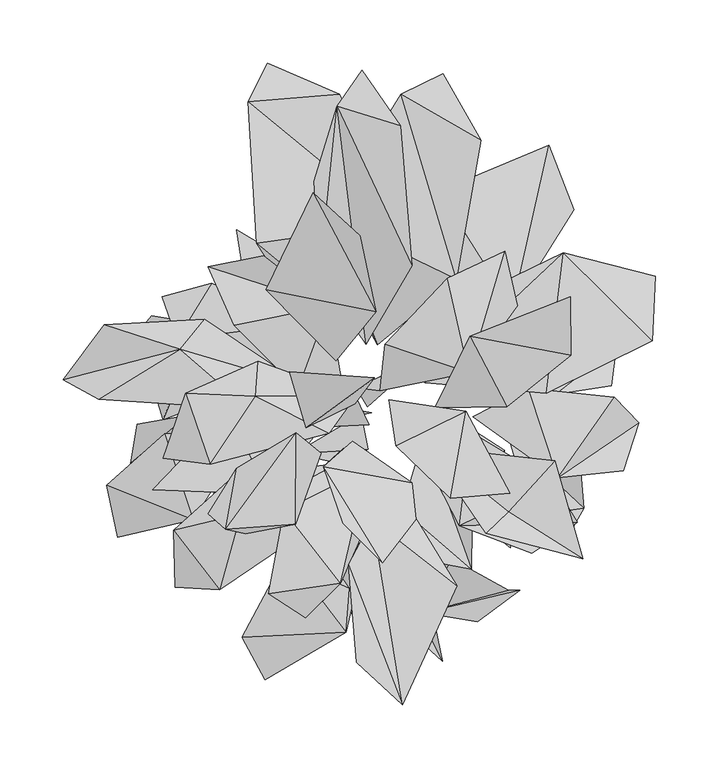
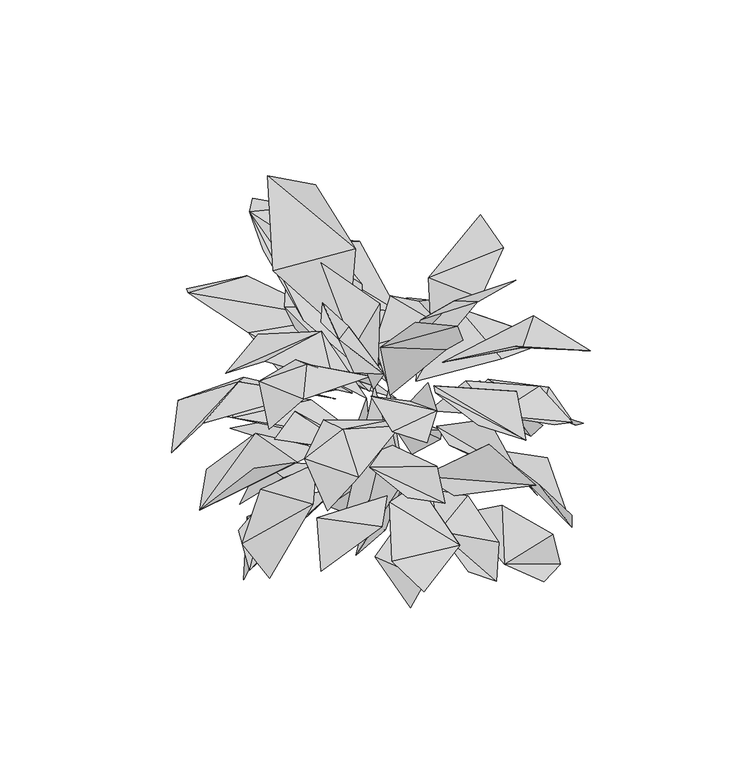
"""IFC4 building model written with IfcOpenShell, lengths in millimetres: furniture geometry."""

from ifc_helpers import new_model, si_unit, origin, place, context, project, spatial, triangles, source, transform, mapped, element, save


def furniture_70dda012(model_context):
    return source(origin(), model_context, "Body", "Tessellation", [
        triangles([(165.0206504, -120.8550323, -18.0846156), (178.2999089, -98.0769532, -51.3634664), (137.2756688, -103.9794272, 18.7039081), (118.6818001, -42.4851793, 32.035322), (174.4757964, -55.4157627, 10.5916262), (-51.0061663, -54.7811221, -32.099694), (7.2854014, -51.4069957, 36.5647081), (1.8450693, -23.3868515, -37.8037086), (-15.616827, -62.4003245, 127.9688514), (-159.0719765, -13.5595205, -49.922675), (-154.7240224, -27.8405404, -15.6469646), (-131.7633054, 27.3877383, -5.9678554), (-96.0106095, -4.9346092, 25.2221523), (-57.4915989, -35.0090254, -18.2944241), (8.0254674, -32.0582244, 42.3425145), (-0.2667084, -25.4430168, -36.487251), (-2.6596859, -9.252399, 133.6806393), (-51.8344996, -10.849834, -33.7046378), (10.2225399, -22.2312511, 45.5099038), (0.5072802, -24.1888919, -37.4727241), (0.9690449, -19.1094281, -36.474377), (-36.9233049, 25.7143984, -25.0775527), (-14.479175, -27.8551584, 37.0105498), (6.8945436, -17.700121, -36.474377), (50.6446649, 21.4268853, -25.0775527), (-2.2752434, -2.4946629, 37.0104022), (-11.5992205, -8.7026358, 121.565881), (16.9469262, -4.8467518, 121.565881), (203.7046264, 29.6676749, -24.3160417), (156.1474457, -7.940024, 52.4952423), (199.988774, -1.216054, 8.8971853), (117.3484149, 47.4329287, 47.7986949), (161.5973129, 60.6485328, 40.3123786), (-116.5741617, 68.3965701, -20.3695302), (-90.0079871, 26.2208877, 28.539746), (-81.6821418, 83.9475376, 11.5135312), (119.5647132, 68.1387778, -22.0871556), (98.1753483, 88.9699418, -45.9640912), (65.3423052, 88.3149764, 17.9509517), (100.1295441, 32.5765317, 18.1037789), (-38.6931824, 122.850868, -16.5496768), (-36.4999092, 73.5764819, 32.8274975), (2.1445975, 114.8915246, 10.9117931), (-74.2676098, -233.6494374, 38.8896184), (-10.0600645, -195.8093235, 51.594675), (-92.3361063, -199.8664704, 62.8888031), (44.4596545, -181.4696646, 27.4191794), (37.4400021, -130.2842805, 56.6081999), (-13.8344242, -159.8375729, 48.5776081), (51.3633937, -180.6244037, -2.6969611), (73.457612, -137.656078, 36.8437177), (35.3045765, -121.4811024, 30.5738447), (118.5332718, -162.607462, -0.0268817), (-28.601252, -160.3890291, -5.9331953), (-26.2216916, -102.2589926, 29.5379159), (-67.8712796, -123.1490692, 13.24597), (120.1717982, -129.118118, 27.5401181), (115.2597797, -52.0817955, 39.2016179), (92.2621373, -107.5335162, 69.7457791), (-190.6690849, -120.7693181, 28.3474635), (-131.1099114, -106.848211, 90.9172339), (-199.5674153, -79.7684595, 49.2236624), (-127.4949613, -116.1253882, 11.9830077), (-55.7787174, -116.6005318, 42.3720457), (-113.6427636, -83.8731781, 54.2625173), (-180.5916658, -62.3059126, -0.7948876), (-137.3570592, -85.9077832, 56.1849472), (-81.2206147, -61.3859878, 61.3058828), (-134.9977374, -24.2031511, 55.2721622), (-175.5317458, -31.6182826, 28.2369847), (221.7910043, -30.466795, 19.5194776), (202.205154, -9.9335313, 60.6741899), (157.7229491, -73.7896548, 86.4332326), (209.2934205, -68.3829944, 48.8623382), (-188.9573071, 24.2931256, 24.1399714), (-101.0233213, -21.2771306, 80.9369656), (-110.8573958, 45.7413214, 79.8030504), (-163.7445474, 54.1422348, 48.0242988), (-147.1634828, -13.7771364, 85.1257452), (-51.6061251, 19.4315901, 36.2760425), (53.4182919, 18.8055336, 42.1554438), (-8.9279264, 45.3636328, 37.6830696), (-96.7792126, 122.2742771, 34.5050091), (-85.2046012, 49.6836589, 56.2158228), (-27.2568755, 80.9669238, 55.0124034), (-24.9176855, 163.5783329, 0.2551973), (-5.0108508, 110.1066513, 77.4409762), (20.1886137, 163.7371169, 9.2117487), (63.3399201, 104.6590823, 46.4429864), (-57.1041816, -134.3618659, 84.3374121), (-0.3543571, -153.1962995, 41.1325411), (-2.2771135, -96.6118718, 65.6059973), (12.6192867, -99.1762865, 54.6734342), (-7.2685482, -161.2110719, 81.6648009), (0.4800782, -130.8619342, 106.4054964), (-55.3912456, -89.9730783, 100.2619306), (-42.6771098, -145.5608281, 91.6783793), (89.1082146, -146.2316356, 73.4127156), (51.4859834, -41.4565039, 84.0528001), (34.046457, -98.5157618, 101.456825), (56.0335529, -139.8944225, 95.7767393), (89.8835398, -80.834837, 103.3834243), (-29.8788471, -81.7587995, 50.4994975), (4.7791375, -94.0344492, 70.4372522), (66.1086147, -218.7783066, 113.5622816), (51.7767497, -148.766192, 126.8357083), (3.640704, -161.8031869, 87.5124908), (51.8423934, -111.0777403, 78.800023), (78.5385836, -28.3930298, 46.0826159), (-153.7940646, -39.1394941, 76.3335856), (-87.02116, -37.6256262, 84.2936012), (-62.7381355, -9.1089905, 75.9531264), (-70.1543162, -11.1711023, 74.2992757), (-14.4238698, -6.1364174, 70.2704201), (-100.1757713, -3.8101971, 110.6394495), (-31.6929079, -36.4714702, 82.6577544), (-71.3066441, -86.9702819, 123.5778312), (-102.8690662, -20.6413727, 144.2898482), (-143.8536648, 35.6296907, 116.7884473), (-44.5801005, 47.995953, 96.6593071), (88.5232667, 19.7103907, 54.8064112), (134.2836912, -3.1282304, 90.478716), (-17.0004964, 26.3554453, 54.6864285), (52.161678, 42.0291116, 68.197904), (232.3845619, 34.6613518, 81.5891605), (234.7964604, 85.5722386, 45.7946657), (162.0196163, 103.9993479, 104.3726172), (148.3550707, -6.9814024, 113.3511026), (40.2649342, 103.3118081, 83.7271841), (41.0221826, 29.3984417, 95.5052987), (63.5423651, 152.8143824, 98.8612803), (150.5355517, 189.1247024, 69.6543467), (121.5300729, 60.674099, 105.0149835), (170.1271883, 137.9984626, 88.421883), (-145.5014385, -160.3510227, 120.4577092), (-110.1537687, -162.3055727, 150.6062141), (-146.6340093, -115.4397833, 157.985324), (-11.8884663, -50.4746307, 91.5113656), (137.1080918, -133.5166504, 111.9062871), (172.7991364, -109.0838485, 87.575314), (79.5405664, -111.6309133, 130.7619766), (-163.2347129, -83.3075058, 168.8358245), (152.8265546, -76.1009917, 119.5971967), (-93.6153796, -102.6166107, 168.2628399), (-28.2822036, -106.8211778, 152.2471296), (-99.5854912, -73.0399185, 164.470902), (88.7528493, -37.8317524, 125.4969274), (90.1880088, -25.419683, 84.8544227), (-43.8067828, -0.8555949, 127.5084598), (-141.4934982, 27.9170869, 165.1161388), (-86.449002, -19.7582984, 160.8213246), (-121.9895288, 51.3675813, 149.8858911), (-23.8592336, 61.8963264, 166.0231874), (-47.9226199, -3.7474037, 152.0655182), (87.1765738, 9.3767345, 166.0231328), (20.8875831, 31.6007737, 152.0656363), (43.2231702, -41.2558757, 106.3590058), (52.2774322, 1.4268755, 113.7779933), (-233.9049269, 3.5132766, 124.1391887), (-205.7878932, -11.677444, 159.8402254), (-201.3583307, 47.3800885, 151.3178985), (-116.5470195, 79.9819821, 113.4412861), (-155.7591336, 69.2091567, 106.6635839), (5.8055595, 31.6769477, 126.2139076), (41.9803545, 93.9451196, 182.4734187), (-17.1063391, 220.1466824, 216.3590139), (-31.035349, 86.0657677, 167.5770896), (14.6327767, 31.4033634, 96.8300089), (77.4336729, 83.1494941, 143.0814282), (-26.4998155, 133.1145493, 154.3005744), (-19.0745511, 93.3981236, 111.3282428), (99.858912, 74.1948762, 110.4121196), (-58.5864448, 77.6510833, 111.0463741), (1.5653818, 43.5774636, 91.4453903), (-80.83332, 111.7220233, 153.8165741), (29.9258373, 127.0067371, 123.7863941), (-119.0306796, 93.1975544, 128.2105426), (-98.7985025, 46.9815436, 163.9875195), (-75.5094717, 101.7527917, 156.1726258), (-87.6004306, 223.7173947, 138.4932362), (-15.0800422, 229.4426811, 130.8800018), (115.8124622, 105.383602, 128.2104245), (125.5777909, 62.1181742, 156.1726258), (70.1776614, 83.8704984, 163.9876285), (-72.1247037, 253.9692545, 119.7639743), (-154.9239738, -58.4171283, 163.4504156), (-117.6404847, -63.1616107, 190.543166), (-137.1292206, -6.7992807, 185.6244255), (-30.0185392, -54.4306347, 167.0356982), (-49.6352561, -38.2516214, 241.4616423), (-49.8733003, -110.5451329, 226.6690132), (-4.9097089, -45.1035787, 144.9336407), (-27.8371203, -65.2619731, 224.7444941), (41.9241943, -77.6454514, 205.0346688), (6.4529032, -66.8649503, 146.499697), (-14.37623, -157.3663575, 196.7094502), (20.0377259, -78.7925834, 171.8137314), (-59.235306, -100.0154886, 196.1666418), (29.5268155, -80.280465, 163.9875195), (10.9043421, -106.8569678, 188.4769222), (77.5199412, -159.3666714, 190.1330893), (54.0487631, -49.2070164, 167.6653655), (100.4704208, -117.6387406, 212.6677058), (118.5214811, -100.6014175, 194.6379015), (155.0604481, -60.3792814, 196.8970296), (-23.5957345, -38.6172831, 170.9047026), (-81.8445047, -9.1993215, 188.5996981), (-2.7810036, -15.293717, 144.2917558), (12.2829973, 5.1299631, 221.9683554), (-41.6379336, -34.0940218, 209.4448284), (-79.5053669, 18.3695853, 176.3925581), (23.823723, -12.2828781, 161.6109022), (29.5205273, -48.3710755, 228.7057712), (84.7708431, -21.0555803, 216.4690544), (60.1224884, -18.2574691, 154.7289458), (117.069017, -17.5849198, 206.3477064), (87.904391, 37.9784118, 208.2302041), (96.6669738, 192.9708339, 156.4469913), (33.4396059, 229.2962148, 152.3524557), (-35.4820798, 160.7257454, 211.4760816), (66.4969813, 245.6709784, 140.0691302), (-1.6907603, -219.6672059, 212.1363792), (34.674882, -253.292261, 201.0299532), (-8.0138816, -142.494827, 208.2007546), (-42.1570743, -184.4899381, 183.1774637), (-71.5620427, -165.4555439, 195.7497522), (177.4749229, -137.8001281, 192.3028878), (45.0735251, -106.503828, 233.1777184), (-54.6848979, 9.9513525, 293.4697868), (72.4834799, -89.9055134, 261.1460149), (119.6354937, -85.8836022, 269.222684), (167.6978489, 23.0530192, 226.7944779), (-17.9301431, 18.66883, 182.0106563), (13.4646589, 57.2845621, 258.2725893), (-73.3936442, 74.9680122, 251.0346771), (167.2521458, 69.3880339, 239.5043308), (33.1083534, 204.7163924, 214.5095992), (2.4635269, 248.4094558, 209.6333525), (-89.7519253, -118.2402664, 246.8389303), (-105.508013, -114.582014, 291.2597654), (18.8624263, -141.0246496, 280.3481132), (-12.3709064, -109.6955209, 277.4053785), (-96.7391442, -66.1221586, 304.8687095), (-36.0432782, 151.5235001, 309.3100808), (0.9705573, 117.5454869, 305.9066548), (-119.2510695, -102.231487, 310.1901506), (32.9635743, -196.4335223, -7.8524947), (0.2666935, -195.6797892, 14.7522983), (93.8423279, -187.6596756, -35.5198977), (127.4246713, -162.7092908, -40.5042773), (-47.9015865, -161.3221117, -33.9204972)], [[1, 2, 3], [2, 4, 3], [2, 5, 4], [6, 7, 8], [6, 9, 7], [10, 11, 12], [11, 13, 12], [14, 15, 16], [14, 17, 15], [18, 19, 20], [21, 22, 23], [24, 25, 26], [22, 27, 23], [25, 28, 26], [29, 30, 31], [29, 32, 30], [29, 33, 32], [34, 35, 36], [37, 38, 39], [37, 39, 40], [41, 42, 43], [44, 45, 46], [47, 48, 49], [50, 51, 52], [50, 53, 51], [54, 55, 56], [57, 58, 59], [60, 61, 62], [63, 64, 65], [66, 67, 68], [66, 68, 69], [66, 69, 70], [71, 72, 73], [71, 73, 74], [75, 76, 77], [75, 77, 78], [75, 79, 76], [35, 80, 36], [40, 39, 81], [42, 82, 43], [83, 84, 85], [86, 87, 88], [88, 87, 89], [46, 45, 90], [45, 91, 92], [45, 92, 90], [49, 48, 93], [94, 95, 96], [94, 96, 97], [98, 99, 100], [98, 100, 101], [98, 102, 99], [64, 103, 65], [104, 105, 106], [104, 107, 105], [104, 106, 108], [59, 58, 109], [62, 61, 110], [110, 61, 111], [76, 112, 77], [113, 114, 115], [116, 117, 118], [114, 119, 115], [114, 120, 119], [30, 32, 121], [72, 122, 73], [123, 85, 84], [124, 89, 87], [125, 126, 127], [125, 127, 128], [129, 130, 131], [132, 133, 134], [132, 131, 133], [135, 136, 137], [95, 138, 96], [139, 140, 141], [117, 142, 118], [140, 143, 141], [9, 144, 145], [9, 146, 144], [143, 147, 141], [73, 122, 148], [149, 150, 151], [149, 152, 150], [27, 153, 154], [28, 155, 156], [157, 141, 147], [128, 127, 158], [159, 160, 150], [159, 150, 161], [119, 162, 163], [119, 120, 162], [164, 165, 166], [164, 166, 167], [168, 169, 170], [168, 170, 171], [130, 133, 131], [158, 127, 172], [173, 174, 175], [174, 176, 175], [177, 178, 153], [177, 153, 179], [176, 180, 175], [176, 181, 180], [182, 155, 183], [182, 184, 155], [185, 180, 181], [136, 144, 137], [136, 145, 144], [137, 144, 146], [186, 187, 188], [189, 190, 191], [192, 193, 194], [195, 196, 197], [195, 198, 196], [199, 200, 201], [202, 203, 204], [202, 204, 205], [160, 151, 150], [154, 153, 178], [206, 17, 207], [206, 207, 187], [208, 209, 210], [17, 211, 207], [212, 213, 214], [215, 216, 217], [150, 152, 161], [156, 155, 184], [169, 218, 219], [169, 219, 170], [167, 166, 220], [218, 221, 219], [222, 223, 224], [223, 201, 200], [223, 200, 224], [225, 196, 226], [226, 196, 198], [227, 204, 203], [227, 205, 204], [187, 207, 188], [194, 193, 228], [188, 207, 211], [210, 209, 229], [214, 230, 231], [214, 213, 230], [216, 232, 217], [233, 234, 235], [217, 232, 236], [165, 237, 166], [237, 238, 166], [239, 191, 240], [191, 190, 240], [228, 193, 241], [193, 242, 241], [190, 243, 240], [235, 234, 244], [234, 245, 244], [246, 240, 243], [247, 47, 49], [247, 49, 248], [249, 250, 50], [251, 54, 56], [250, 53, 50]], closed=False),
    ])


if __name__ == "__main__":
    model = new_model("IFC4")
    model_context = context("Model", 3, world=origin())
    ifc_project = project(units=[si_unit("LENGTHUNIT", "METRE", prefix="MILLI")], contexts=[model_context])
    site = spatial("IfcSite", under=ifc_project)
    building = spatial("IfcBuilding", under=site)
    placement = place(None, origin())
    furniture_shape = furniture_70dda012(model_context)
    element("IfcFurniture", 1, at=placement, inside=building, context=model_context, shape_type="MappedRepresentation", body=[
        mapped(furniture_shape, transform((0.0, 0.0, 0.0), x_axis=(1.0, 0.0, 0.0), y_axis=(0.0, 1.0, 0.0), z_axis=(0.0, 0.0, 1.0))),
    ])
    save(model, "model.ifc")
